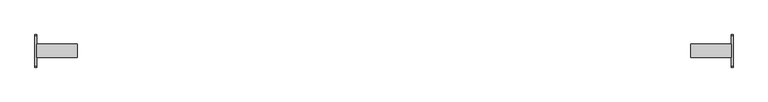
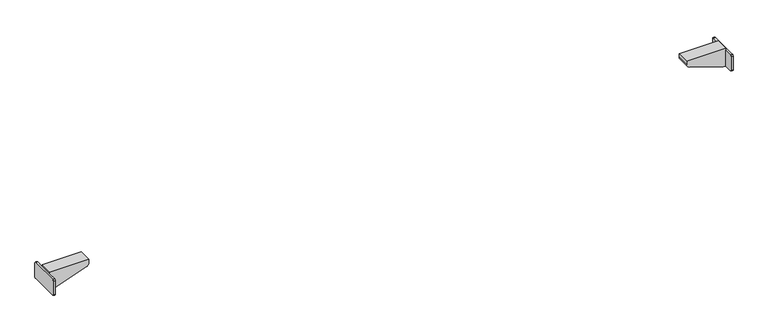
"""IFC4 building model written with IfcOpenShell, lengths in millimetres: furniture geometry."""

from ifc_helpers import new_model, si_unit, point, frame, frame_2d, origin, place, context, project, spatial, polyline, circle_curve, trimmed, segment, composite_curve, outline, extrude, source, transform, mapped, element, save
from ifc_brep_helpers import plane_surface, cylinder_surface, advanced_brep


def furniture_b2e24b07(model_context):
    return source(origin(), model_context, "Body", "SolidModel", [
        extrude(outline(composite_curve([segment(trimmed(circle_curve(frame_2d((39.4809876, 521.7409876)), 3.0190124), [point((39.4809876, 524.76))], [point((42.5, 521.7409876))], False, "CARTESIAN"), True, "CONTINUOUS"), segment(polyline([(42.5, 521.7409876), (42.5, 482.9866625)]), True, "CONTINUOUS"), segment(trimmed(circle_curve(frame_2d((39.5133375, 482.9866625)), 2.9866625), [point((42.5, 482.9866625))], [point((39.5133375, 480.0))], False, "CARTESIAN"), True, "CONTINUOUS"), segment(polyline([(39.5133375, 480.0), (-39.4675388, 480.0)]), True, "CONTINUOUS"), segment(trimmed(circle_curve(frame_2d((-39.4675388, 483.0324612)), 3.0324612), [point((-39.4675388, 480.0))], [point((-42.5, 483.0324612))], False, "CARTESIAN"), True, "CONTINUOUS"), segment(polyline([(-42.5, 483.0324612), (-42.5, 521.76)]), True, "CONTINUOUS"), segment(trimmed(circle_curve(frame_2d((-39.5, 521.76)), 3.0), [point((-42.5, 521.76))], [point((-39.5, 524.76))], False, "CARTESIAN"), True, "CONTINUOUS"), segment(polyline([(-39.5, 524.76), (39.4809876, 524.76)]), True, "CONTINUOUS")], self_intersect=False)), frame((904.7599968, 0.0, 0.0), z_axis=(1.0, 0.0, 0.0), x_axis=(0.0, 1.0, 0.0)), (0.0, 0.0, 1.0), 5.24),
        extrude(outline(composite_curve([segment(polyline([(511.6677828, 806.7222698), (480.0, 897.9999968), (480.0, 904.7599968), (530.0, 904.7599968), (530.0, 799.9999968), (521.115349, 799.9999968)]), True, "CONTINUOUS"), segment(trimmed(circle_curve(frame_2d((521.115349, 809.9999968)), 10.0), [point((521.115349, 799.9999968))], [point((511.6677828, 806.7222698))], False, "CARTESIAN"), True, "CONTINUOUS")], self_intersect=False)), frame((0.0, -17.5, 0.0), z_axis=(0.0, 1.0, 0.0), x_axis=(0.0, 0.0, 1.0)), (0.0, 0.0, 1.0), 35.0),
        advanced_brep(
        [(-806.7222698, -17.5, 511.6677828), (-799.9999968, -17.5, 521.115349), (-799.9999968, -17.5, 530.0), (-904.7599968, -17.5, 530.0), (-904.7599968, -17.5, 524.76), (-904.7599968, -17.5, 480.0), (-897.9999968, -17.5, 480.0), (-806.7222698, 17.5, 511.6677828), (-897.9999968, 17.5, 480.0), (-904.7599968, 17.5, 480.0), (-904.7599968, 17.5, 524.76), (-904.7599968, 17.5, 530.0), (-799.9999968, 17.5, 530.0), (-799.9999968, 17.5, 521.115349), (-904.7599968, -39.4675388, 480.0), (-909.9999968, -39.4675388, 480.0), (-909.9999968, 39.5133375, 480.0), (-904.7599968, 39.5133375, 480.0), (-904.7599968, -39.5, 524.76), (-904.7599968, -42.5, 521.76), (-904.7599968, -42.5, 483.0324612), (-904.7599968, 42.5, 482.9866625), (-904.7599968, 42.5, 521.7409876), (-904.7599968, 39.4809876, 524.76), (-909.9999968, 39.4809876, 524.76), (-909.9999968, 42.5, 521.7409876), (-909.9999968, 42.5, 482.9866625), (-909.9999968, -42.5, 483.0324612), (-909.9999968, -42.5, 521.76), (-909.9999968, -39.5, 524.76)],
        [
            (0, 1, circle_curve(frame((-809.9999968, -17.5, 521.115349), z_axis=(0.0, -1.0, 0.0), x_axis=(1.0, 0.0, 0.0)), 10.0)),
            (1, 2),
            (2, 3),
            (3, 4),
            (4, 5),
            (5, 6),
            (6, 0),
            (7, 8),
            (8, 9),
            (9, 10),
            (10, 11),
            (11, 12),
            (12, 13),
            (13, 7, circle_curve(frame((-809.9999968, 17.5, 521.115349), z_axis=(0.0, 1.0, 0.0), x_axis=(1.0, 0.0, 0.0)), 10.0)),
            (0, 7),
            (13, 1),
            (12, 2),
            (11, 3),
            (10, 4),
            (5, 14),
            (14, 15),
            (15, 16),
            (16, 17),
            (17, 9),
            (8, 6),
            (18, 19, circle_curve(frame((-904.7599968, -39.5, 521.76), z_axis=(1.0, 0.0, 0.0), x_axis=(0.0, 1.0, 0.0)), 3.0)),
            (19, 20),
            (20, 14, circle_curve(frame((-904.7599968, -39.4675388, 483.0324612), z_axis=(1.0, 0.0, 0.0), x_axis=(0.0, 1.0, 0.0)), 3.0324612)),
            (4, 18),
            (17, 21, circle_curve(frame((-904.7599968, 39.5133375, 482.9866625), z_axis=(1.0, 0.0, 0.0), x_axis=(0.0, 1.0, 0.0)), 2.9866625)),
            (21, 22),
            (22, 23, circle_curve(frame((-904.7599968, 39.4809876, 521.7409876), z_axis=(1.0, 0.0, 0.0), x_axis=(0.0, 1.0, 0.0)), 3.0190124)),
            (23, 10),
            (24, 25, circle_curve(frame((-909.9999968, 39.4809876, 521.7409876), z_axis=(-1.0, 0.0, 0.0), x_axis=(0.0, 1.0, 0.0)), 3.0190124)),
            (25, 26),
            (26, 16, circle_curve(frame((-909.9999968, 39.5133375, 482.9866625), z_axis=(-1.0, 0.0, 0.0), x_axis=(0.0, 1.0, 0.0)), 2.9866625)),
            (15, 27, circle_curve(frame((-909.9999968, -39.4675388, 483.0324612), z_axis=(-1.0, 0.0, 0.0), x_axis=(0.0, 1.0, 0.0)), 3.0324612)),
            (27, 28),
            (28, 29, circle_curve(frame((-909.9999968, -39.5, 521.76), z_axis=(-1.0, 0.0, 0.0), x_axis=(0.0, 1.0, 0.0)), 3.0)),
            (29, 24),
            (29, 18),
            (23, 24),
            (28, 19),
            (27, 20),
            (26, 21),
            (25, 22),
        ],
        [
            plane_surface(frame((-799.9999968, -17.5, 521.115349), z_axis=(0.0, -1.0, 0.0), x_axis=(0.0, 0.0, 1.0))),
            plane_surface(frame((-799.9999968, 17.5, 521.115349), z_axis=(0.0, 1.0, 0.0), x_axis=(0.0, 0.0, -1.0))),
            cylinder_surface(frame((-809.9999968, 17.5, 521.115349), z_axis=(0.0, -1.0, 0.0), x_axis=(1.0, 0.0, 0.0)), 10.0),
            plane_surface(frame((-799.9999968, -17.5, 521.115349), z_axis=(1.0, 0.0, 0.0), x_axis=(0.0, 1.0, 0.0))),
            plane_surface(frame((-799.9999968, -17.5, 530.0), z_axis=(0.0, 0.0, 1.0), x_axis=(0.0, 1.0, 0.0))),
            plane_surface(frame((-904.7599968, -17.5, 530.0), z_axis=(-1.0, 0.0, 0.0), x_axis=(0.0, 1.0, 0.0))),
            plane_surface(frame((-904.7599968, -17.5, 480.0), z_axis=(0.0, 0.0, -1.0), x_axis=(0.0, 1.0, 0.0))),
            plane_surface(frame((-897.9999968, -17.5, 480.0), z_axis=(0.32777270209389825, 0.0, -0.9447566119176223), x_axis=(0.0, 1.0, 0.0))),
            plane_surface(frame((-904.7599968, -39.5, 524.76), z_axis=(1.0, 0.0, 0.0), x_axis=(0.0, -1.0, 0.0))),
            plane_surface(frame((-909.9999968, -39.5, 524.76), z_axis=(-1.0, 0.0, 0.0), x_axis=(0.0, 1.0, 0.0))),
            plane_surface(frame((-904.7599968, 39.4809876, 524.76), z_axis=(0.0, 0.0, 1.0), x_axis=(-1.0, 0.0, 0.0))),
            cylinder_surface(frame((-909.9999968, -39.5, 521.76), z_axis=(1.0, 0.0, 0.0), x_axis=(0.0, 1.0, 0.0)), 3.0),
            plane_surface(frame((-904.7599968, -42.5, 521.76), z_axis=(0.0, -1.0, 0.0), x_axis=(-1.0, 0.0, 0.0))),
            cylinder_surface(frame((-909.9999968, -39.4675388, 483.0324612), z_axis=(1.0, 0.0, 0.0), x_axis=(0.0, 1.0, 0.0)), 3.0324612),
            cylinder_surface(frame((-909.9999968, 39.5133375, 482.9866625), z_axis=(1.0, 0.0, 0.0), x_axis=(0.0, 1.0, 0.0)), 2.9866625),
            plane_surface(frame((-904.7599968, 42.5, 482.9866625), z_axis=(0.0, 1.0, 0.0), x_axis=(-1.0, 0.0, 0.0))),
            cylinder_surface(frame((-909.9999968, 39.4809876, 521.7409876), z_axis=(1.0, 0.0, 0.0), x_axis=(0.0, 1.0, 0.0)), 3.0190124),
        ],
        [
            (0, [[1, 2, 3, 4, 5, 6, 7]]),
            (1, [[8, 9, 10, 11, 12, 13, 14]]),
            (2, [[-1, 15, -14, 16]]),
            (3, [[-2, -16, -13, 17]]),
            (4, [[-3, -17, -12, 18]]),
            (5, [[-18, -11, 19, -4]]),
            (6, [[-6, 20, 21, 22, 23, 24, -9, 25]]),
            (7, [[-7, -25, -8, -15]]),
            (8, [[26, 27, 28, -20, -5, 29]]),
            (8, [[30, 31, 32, 33, -10, -24]]),
            (9, [[34, 35, 36, -22, 37, 38, 39, 40]]),
            (10, [[-40, 41, -29, -19, -33, 42]]),
            (11, [[-26, -41, -39, 43]]),
            (12, [[-27, -43, -38, 44]]),
            (13, [[-28, -44, -37, -21]]),
            (14, [[-30, -23, -36, 45]]),
            (15, [[-31, -45, -35, 46]]),
            (16, [[-32, -46, -34, -42]]),
        ],
    ),
    ])


if __name__ == "__main__":
    model = new_model("IFC4")
    model_context = context("Model", 3, world=origin())
    ifc_project = project(units=[si_unit("LENGTHUNIT", "METRE", prefix="MILLI")], contexts=[model_context])
    site = spatial("IfcSite", under=ifc_project)
    building = spatial("IfcBuilding", under=site)
    placement = place(None, origin())
    furniture_shape = furniture_b2e24b07(model_context)
    element("IfcFurniture", 1, at=placement, inside=building, context=model_context, shape_type="MappedRepresentation", body=[
        mapped(furniture_shape, transform((0.0, 0.0, 0.0), x_axis=(1.0, 0.0, 0.0), y_axis=(0.0, 1.0, 0.0), z_axis=(0.0, 0.0, 1.0))),
    ])
    save(model, "model.ifc")
